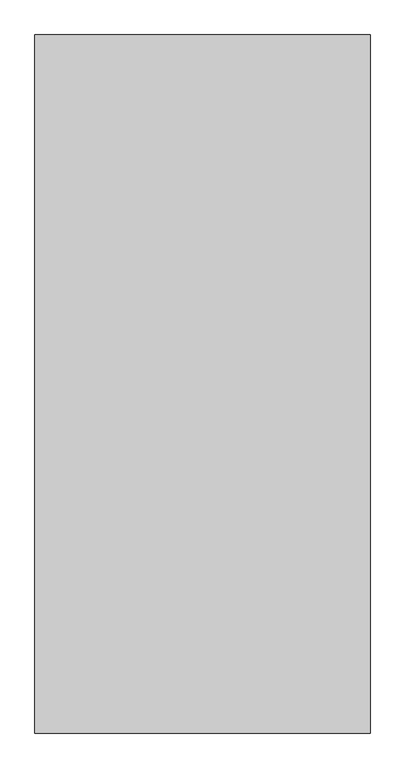
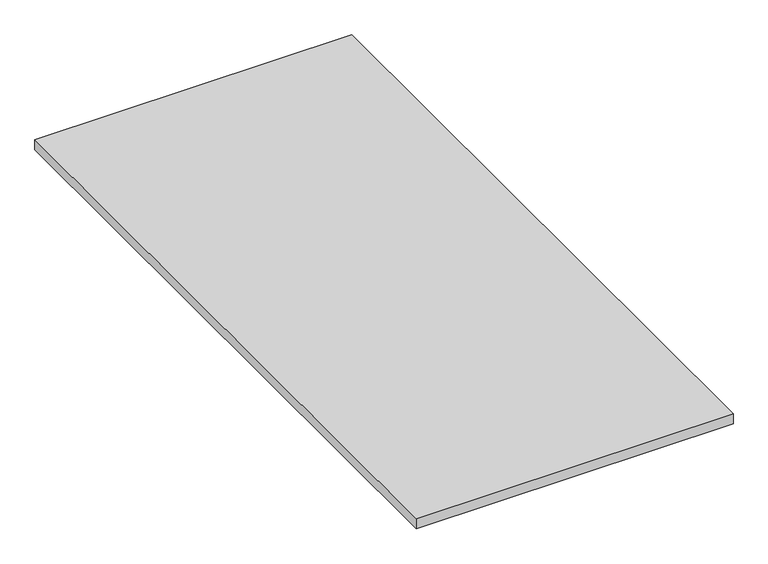
"""IFC4 building model written with IfcOpenShell, lengths in millimetres: proxy geometry."""

from ifc_helpers import new_model, si_unit, origin, origin_with_axes, place, context, project, spatial, polyline, outline, extrude, source, transform, mapped, element, save


def generic_models_d244c79f(model_context):
    return source(origin(), model_context, "Body", "SweptSolid", [
        extrude(outline(polyline([(-6184.8983566, 13747.1625159), (-6184.8983566, 12497.1625159), (-6784.8983566, 12497.1625159), (-6784.8983566, 13747.1625159), (-6184.8983566, 13747.1625159)])), origin_with_axes(), (0.0, 0.0, 1.0), 20.0),
    ])


if __name__ == "__main__":
    model = new_model("IFC4")
    model_context = context("Model", 3, world=origin())
    ifc_project = project(units=[si_unit("LENGTHUNIT", "METRE", prefix="MILLI")], contexts=[model_context])
    site = spatial("IfcSite", under=ifc_project)
    building = spatial("IfcBuilding", under=site)
    placement = place(None, origin())
    generic_models_shape = generic_models_d244c79f(model_context)
    element("IfcBuildingElementProxy", 1, Name="Generic Models", at=placement, inside=building, context=model_context, shape_type="MappedRepresentation", body=[
        mapped(generic_models_shape, transform((0.0, 0.0, 0.0), x_axis=(1.0, 0.0, 0.0), y_axis=(0.0, 1.0, 0.0), z_axis=(0.0, 0.0, 1.0))),
    ])
    save(model, "model.ifc")
